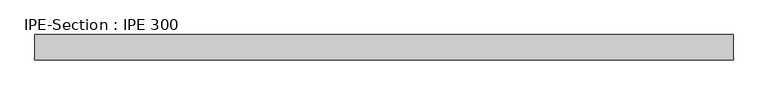
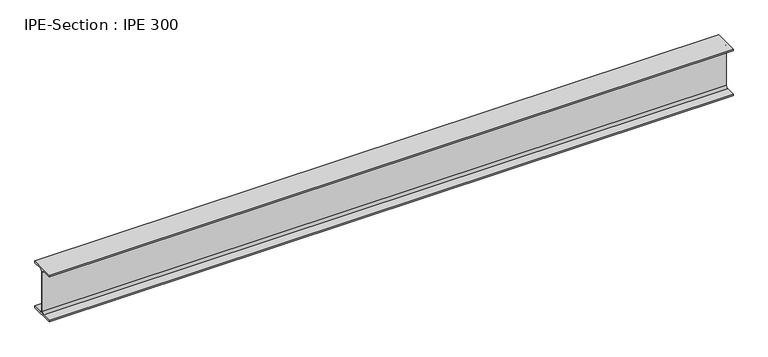
"""IFC4 building model written with IfcOpenShell, lengths in millimetres: beam geometry, IPE-Section : IPE 300."""

from ifc_helpers import new_model, si_unit, point, frame, frame_2d, origin, place, context, project, spatial, polyline, circle_curve, trimmed, segment, composite_curve, outline, extrude, source, transform, mapped, element, save


def ipe_section_ipe_300_1a8c6b67(model_context):
    return source(origin(), model_context, "Body", "SweptSolid", [
        extrude(outline(composite_curve([segment(polyline([(75.0, -139.3), (75.0, -150.0), (-75.0, -150.0), (-75.0, -139.3), (-18.55, -139.3)]), True, "CONTINUOUS"), segment(trimmed(circle_curve(frame_2d((-18.55, -124.3)), 15.0), [point((-18.55, -139.3))], [point((-3.55, -124.3))], True, "CARTESIAN"), True, "CONTINUOUS"), segment(polyline([(-3.55, -124.3), (-3.55, 124.3)]), True, "CONTINUOUS"), segment(trimmed(circle_curve(frame_2d((-18.55, 124.3)), 15.0), [point((-3.55, 124.3))], [point((-18.55, 139.3))], True, "CARTESIAN"), True, "CONTINUOUS"), segment(polyline([(-18.55, 139.3), (-75.0, 139.3), (-75.0, 150.0), (75.0, 150.0), (75.0, 139.3), (18.55, 139.3)]), True, "CONTINUOUS"), segment(trimmed(circle_curve(frame_2d((18.55, 124.3)), 15.0), [point((18.55, 139.3))], [point((3.55, 124.3))], True, "CARTESIAN"), True, "CONTINUOUS"), segment(polyline([(3.55, 124.3), (3.55, -124.3)]), True, "CONTINUOUS"), segment(trimmed(circle_curve(frame_2d((18.55, -124.3)), 15.0), [point((3.55, -124.3))], [point((18.55, -139.3))], True, "CARTESIAN"), True, "CONTINUOUS"), segment(polyline([(18.55, -139.3), (75.0, -139.3)]), True, "CONTINUOUS")], self_intersect=False)), frame((-2075.2166661, 0.0, 0.0), z_axis=(1.0, 0.0, 0.0), x_axis=(0.0, 1.0, 0.0)), (0.0, 0.0, 1.0), 4150.4333321),
    ])


if __name__ == "__main__":
    model = new_model("IFC4")
    model_context = context("Model", 3, world=origin())
    ifc_project = project(units=[si_unit("LENGTHUNIT", "METRE", prefix="MILLI")], contexts=[model_context])
    site = spatial("IfcSite", under=ifc_project)
    building = spatial("IfcBuilding", under=site)
    placement = place(None, origin())
    ipe_section_ipe_300_shape = ipe_section_ipe_300_1a8c6b67(model_context)
    element("IfcBeam", 1, ObjectType="IPE-Section : IPE 300", at=placement, inside=building, context=model_context, shape_type="MappedRepresentation", body=[
        mapped(ipe_section_ipe_300_shape, transform((0.0, 0.0, 0.0), x_axis=(1.0, 0.0, 0.0), y_axis=(0.0, 1.0, 0.0), z_axis=(0.0, 0.0, 1.0))),
    ])
    save(model, "model.ifc")
